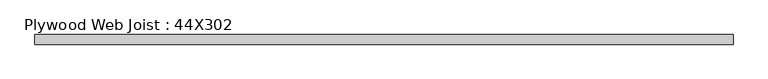
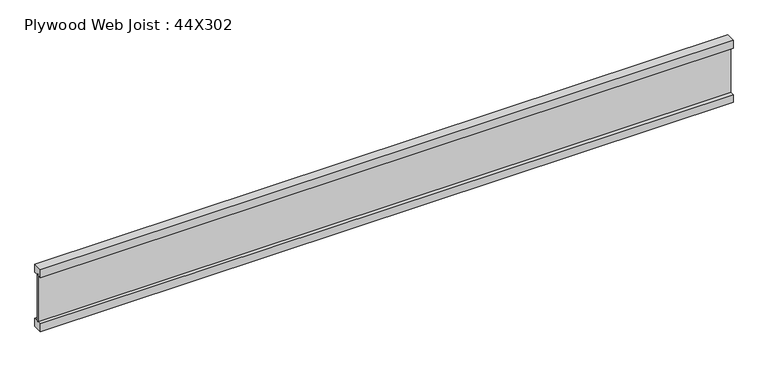
"""IFC4 building model written with IfcOpenShell, lengths in millimetres: beam geometry, Plywood Web Joist : 44X302."""

from ifc_helpers import new_model, si_unit, frame, origin, place, context, project, spatial, polyline, outline, extrude, source, transform, mapped, element, save


def plywood_web_joist_44x302_16474b87(model_context):
    return source(origin(), model_context, "Body", "SweptSolid", [
        extrude(outline(polyline([(-22.0, 151.0), (22.0, 151.0), (22.0, 112.9), (4.7625, 112.9), (4.7625, 119.25), (-4.7625, 119.25), (-4.7625, 112.9), (-22.0, 112.9), (-22.0, 151.0)])), frame((-1687.0674896, 0.0, 0.0), z_axis=(1.0, 0.0, 0.0), x_axis=(0.0, 1.0, 0.0)), (0.0, 0.0, 1.0), 3193.0550417),
        extrude(outline(polyline([(22.0, -112.9), (22.0, -151.0), (-22.0, -151.0), (-22.0, -112.9), (-4.7625, -112.9), (-4.7625, -118.5160374), (4.7625, -118.5160374), (4.7625, -112.9), (22.0, -112.9)])), frame((-1687.0674896, 0.0, 0.0), z_axis=(1.0, 0.0, 0.0), x_axis=(0.0, 1.0, 0.0)), (0.0, 0.0, 1.0), 3193.0550417),
        extrude(outline(polyline([(1505.9875521, 4.7625), (1505.9875521, -4.7625), (-1687.0674896, -4.7625), (-1687.0674896, 4.7625), (1505.9875521, 4.7625)])), frame((0.0, 0.0, -118.5160374), z_axis=(0.0, 0.0, 1.0), x_axis=(1.0, 0.0, 0.0)), (0.0, 0.0, 1.0), 237.7660374),
    ])


if __name__ == "__main__":
    model = new_model("IFC4")
    model_context = context("Model", 3, world=origin())
    ifc_project = project(units=[si_unit("LENGTHUNIT", "METRE", prefix="MILLI")], contexts=[model_context])
    site = spatial("IfcSite", under=ifc_project)
    building = spatial("IfcBuilding", under=site)
    placement = place(None, origin())
    plywood_web_joist_44x302_shape = plywood_web_joist_44x302_16474b87(model_context)
    element("IfcBeam", 1, ObjectType="Plywood Web Joist : 44X302", at=placement, inside=building, context=model_context, shape_type="MappedRepresentation", body=[
        mapped(plywood_web_joist_44x302_shape, transform((0.0, 0.0, 0.0), x_axis=(1.0, 0.0, 0.0), y_axis=(0.0, 1.0, 0.0), z_axis=(0.0, 0.0, 1.0))),
    ])
    save(model, "model.ifc")
